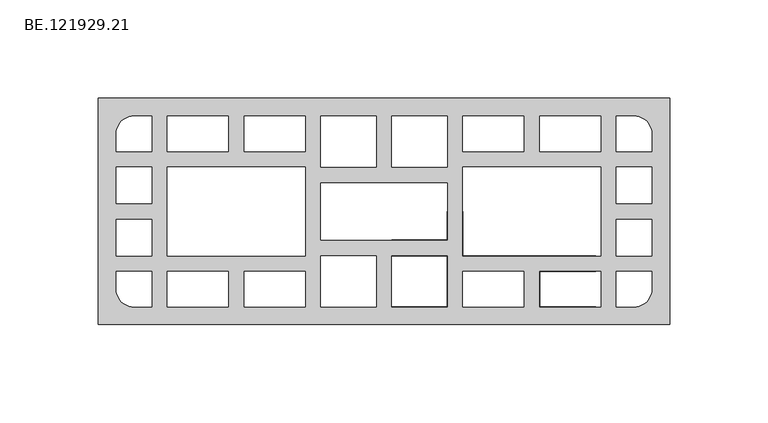
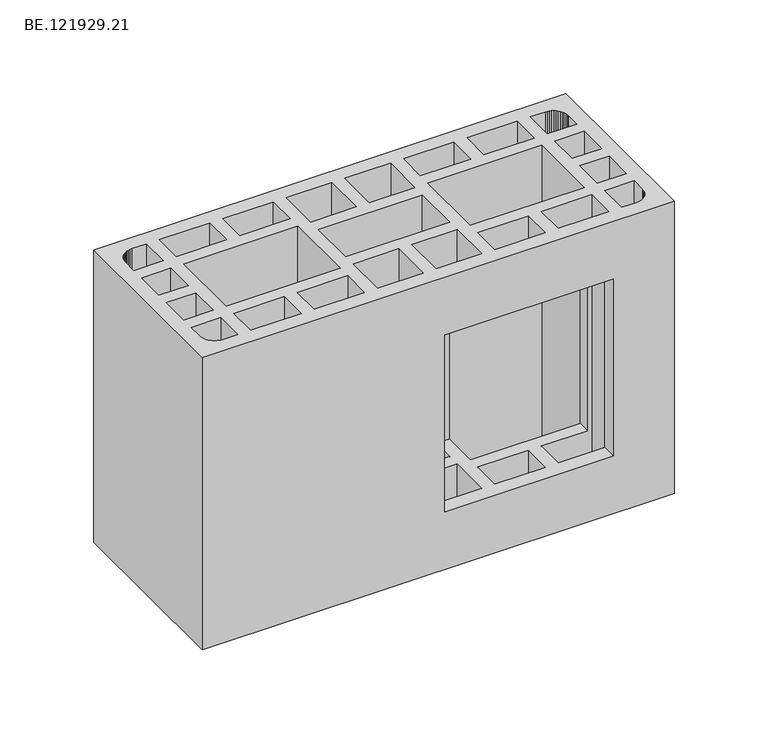
"""IFC4 building model written with IfcOpenShell, lengths in millimetres: proxy geometry, BE.121929.21."""

from ifc_helpers import new_model, si_unit, origin, place, context, project, spatial, faceted_brep, source, transform, mapped, element, save


def be_121929_21_d8aba018(model_context):
    return source(origin(), model_context, "Body", "Brep", [
        faceted_brep([(295.0, 57.5034668, 190.0), (5.0, 57.5034668, 190.0), (5.0, -57.5034668, 190.0), (295.0, -57.5034668, 190.0), (71.0052734, 48.4993652, 190.0), (71.0052734, 30.5097656, 190.0), (39.9932129, 30.5097656, 190.0), (39.9932129, 48.4993652, 190.0), (110.0075439, 48.4993652, 190.0), (110.0075439, 30.5097656, 190.0), (79.0047852, 30.5097656, 190.0), (79.0047852, 48.4993652, 190.0), (145.9960449, 48.4993652, 190.0), (145.9960449, 22.5009521, 190.0), (118.0070557, 22.5009521, 190.0), (118.0070557, 48.4993652, 190.0), (182.0031494, 14.5014404, 190.0), (182.0031494, -14.5014404, 190.0), (118.0070557, -14.5014404, 190.0), (118.0070557, 14.5014404, 190.0), (182.0031494, 22.5009521, 190.0), (153.9955566, 22.5009521, 190.0), (153.9955566, 48.4993652, 190.0), (182.0031494, 48.4993652, 190.0), (110.0075439, 22.5009521, 190.0), (110.0075439, -22.5009521, 190.0), (39.9932129, -22.5009521, 190.0), (39.9932129, 22.5009521, 190.0), (71.0052734, -48.4993652, 190.0), (39.9932129, -48.4993652, 190.0), (39.9932129, -30.5004639, 190.0), (71.0052734, -30.5004639, 190.0), (110.0075439, -48.4993652, 190.0), (79.0047852, -48.4993652, 190.0), (79.0047852, -30.5004639, 190.0), (110.0075439, -30.5004639, 190.0), (145.9960449, -48.4993652, 190.0), (118.0070557, -48.4993652, 190.0), (118.0070557, -22.5009521, 190.0), (145.9960449, -22.5009521, 190.0), (182.0031494, -22.5009521, 190.0), (182.0031494, -48.4993652, 190.0), (153.9955566, -48.4993652, 190.0), (153.9955566, -22.5009521, 190.0), (32.0020996, 22.5009521, 190.0), (32.0020996, 3.9997559, 190.0), (14.0125, 3.9997559, 190.0), (14.0125, 22.5009521, 190.0), (32.0020996, -22.5009521, 190.0), (14.0125, -22.5009521, 190.0), (14.0125, -3.9997559, 190.0), (32.0020996, -3.9997559, 190.0), (14.0041016, 30.5004639, 190.0), (14.0041016, 39.5045654, 190.0), (14.0785156, 40.6765869, 190.0), (14.3110596, 41.8300049, 190.0), (14.6924316, 42.9462158, 190.0), (15.2133301, 43.9973145, 190.0), (15.8644531, 44.9833008, 190.0), (16.636499, 45.8669678, 190.0), (17.5294678, 46.6390137, 190.0), (18.5061523, 47.2994385, 190.0), (19.557251, 47.8203369, 190.0), (20.6734619, 48.1924072, 190.0), (21.8268799, 48.4249512, 190.0), (23.0082031, 48.4993652, 190.0), (32.0030029, 48.4993652, 190.0), (32.0030029, 30.5004639, 190.0), (14.0041016, -30.5004639, 190.0), (32.0030029, -30.5004639, 190.0), (32.0030029, -48.4993652, 190.0), (23.0082031, -48.4993652, 190.0), (21.8268799, -48.4249512, 190.0), (20.6734619, -48.1924072, 190.0), (19.557251, -47.8203369, 190.0), (18.5061523, -47.2994385, 190.0), (17.5294678, -46.6390137, 190.0), (16.636499, -45.8669678, 190.0), (15.8644531, -44.9833008, 190.0), (15.2133301, -43.9973145, 190.0), (14.6924316, -42.9462158, 190.0), (14.3110596, -41.8300049, 190.0), (14.0785156, -40.6765869, 190.0), (14.0041016, -39.5045654, 190.0), (229.0049316, 48.4993652, 190.0), (260.0169922, 48.4993652, 190.0), (260.0169922, 30.5097656, 190.0), (229.0049316, 30.5097656, 190.0), (190.0026611, 48.4993652, 190.0), (221.0054199, 48.4993652, 190.0), (221.0054199, 30.5097656, 190.0), (190.0026611, 30.5097656, 190.0), (190.0026611, 22.5009521, 190.0), (260.0169922, 22.5009521, 190.0), (260.0169922, -22.5009521, 190.0), (190.0026611, -22.5009521, 190.0), (229.0049316, -48.4993652, 190.0), (229.0049316, -30.5004639, 190.0), (260.0169922, -30.5004639, 190.0), (260.0169922, -48.4993652, 190.0), (190.0026611, -48.4993652, 190.0), (190.0026611, -30.5004639, 190.0), (221.0054199, -30.5004639, 190.0), (221.0054199, -48.4993652, 190.0), (268.0081055, 22.5009521, 190.0), (285.9977051, 22.5009521, 190.0), (285.9977051, 3.9997559, 190.0), (268.0081055, 3.9997559, 190.0), (268.0081055, -22.5009521, 190.0), (268.0081055, -3.9997559, 190.0), (285.9977051, -3.9997559, 190.0), (285.9977051, -22.5009521, 190.0), (286.0061035, 30.5004639, 190.0), (268.0072021, 30.5004639, 190.0), (268.0072021, 48.4993652, 190.0), (277.002002, 48.4993652, 190.0), (278.1833252, 48.4249512, 190.0), (279.3367432, 48.1924072, 190.0), (280.4529541, 47.8203369, 190.0), (281.5040527, 47.2994385, 190.0), (282.4807373, 46.6390137, 190.0), (283.3737061, 45.8669678, 190.0), (284.145752, 44.9833008, 190.0), (284.796875, 43.9973145, 190.0), (285.3177734, 42.9462158, 190.0), (285.6991455, 41.8300049, 190.0), (285.9316895, 40.6765869, 190.0), (286.0061035, 39.5045654, 190.0), (286.0061035, -30.5004639, 190.0), (286.0061035, -39.5045654, 190.0), (285.9316895, -40.6765869, 190.0), (285.6991455, -41.8300049, 190.0), (285.3177734, -42.9462158, 190.0), (284.796875, -43.9973145, 190.0), (284.145752, -44.9833008, 190.0), (283.3737061, -45.8669678, 190.0), (282.4807373, -46.6390137, 190.0), (281.5040527, -47.2994385, 190.0), (280.4529541, -47.8203369, 190.0), (279.3367432, -48.1924072, 190.0), (278.1833252, -48.4249512, 190.0), (277.002002, -48.4993652, 190.0), (268.0072021, -48.4993652, 190.0), (268.0072021, -30.5004639, 190.0), (295.0, 57.5034668, 0.0), (295.0, -57.5034668, 0.0), (5.0, -57.5034668, 0.0), (5.0, 57.5034668, 0.0), (71.0052734, 48.4993652, 0.0), (39.9932129, 48.4993652, 0.0), (39.9932129, 30.5097656, 0.0), (71.0052734, 30.5097656, 0.0), (110.0075439, 48.4993652, 0.0), (79.0047852, 48.4993652, 0.0), (79.0047852, 30.5097656, 0.0), (110.0075439, 30.5097656, 0.0), (145.9960449, 48.4993652, 0.0), (118.0070557, 48.4993652, 0.0), (118.0070557, 22.5009521, 0.0), (145.9960449, 22.5009521, 0.0), (182.0031494, 14.5014404, 0.0), (118.0070557, 14.5014404, 0.0), (118.0070557, -14.5014404, 0.0), (182.0031494, -14.5014404, 0.0), (182.0031494, 22.5009521, 0.0), (182.0031494, 48.4993652, 0.0), (153.9955566, 48.4993652, 0.0), (153.9955566, 22.5009521, 0.0), (110.0075439, 22.5009521, 0.0), (39.9932129, 22.5009521, 0.0), (39.9932129, -22.5009521, 0.0), (110.0075439, -22.5009521, 0.0), (71.0052734, -48.4993652, 0.0), (71.0052734, -30.5004639, 0.0), (39.9932129, -30.5004639, 0.0), (39.9932129, -48.4993652, 0.0), (110.0075439, -48.4993652, 0.0), (110.0075439, -30.5004639, 0.0), (79.0047852, -30.5004639, 0.0), (79.0047852, -48.4993652, 0.0), (145.9960449, -48.4993652, 0.0), (145.9960449, -22.5009521, 0.0), (118.0070557, -22.5009521, 0.0), (118.0070557, -48.4993652, 0.0), (182.0031494, -22.5009521, 0.0), (153.9955566, -22.5009521, 0.0), (153.9955566, -48.4993652, 0.0), (182.0031494, -48.4993652, 0.0), (32.0020996, 22.5009521, 0.0), (14.0125, 22.5009521, 0.0), (14.0125, 3.9997559, 0.0), (32.0020996, 3.9997559, 0.0), (32.0020996, -22.5009521, 0.0), (32.0020996, -3.9997559, 0.0), (14.0125, -3.9997559, 0.0), (14.0125, -22.5009521, 0.0), (14.0041016, 30.5004639, 0.0), (32.0030029, 30.5004639, 0.0), (32.0030029, 48.4993652, 0.0), (23.0082031, 48.4993652, 0.0), (21.8268799, 48.4249512, 0.0), (20.6734619, 48.1924072, 0.0), (19.557251, 47.8203369, 0.0), (18.5061523, 47.2994385, 0.0), (17.5294678, 46.6390137, 0.0), (16.636499, 45.8669678, 0.0), (15.8644531, 44.9833008, 0.0), (15.2133301, 43.9973145, 0.0), (14.6924316, 42.9462158, 0.0), (14.3110596, 41.8300049, 0.0), (14.0785156, 40.6765869, 0.0), (14.0041016, 39.5045654, 0.0), (14.0041016, -30.5004639, 0.0), (14.0041016, -39.5045654, 0.0), (14.0785156, -40.6765869, 0.0), (14.3110596, -41.8300049, 0.0), (14.6924316, -42.9462158, 0.0), (15.2133301, -43.9973145, 0.0), (15.8644531, -44.9833008, 0.0), (16.636499, -45.8669678, 0.0), (17.5294678, -46.6390137, 0.0), (18.5061523, -47.2994385, 0.0), (19.557251, -47.8203369, 0.0), (20.6734619, -48.1924072, 0.0), (21.8268799, -48.4249512, 0.0), (23.0082031, -48.4993652, 0.0), (32.0030029, -48.4993652, 0.0), (32.0030029, -30.5004639, 0.0), (229.0049316, 48.4993652, 0.0), (229.0049316, 30.5097656, 0.0), (260.0169922, 30.5097656, 0.0), (260.0169922, 48.4993652, 0.0), (190.0026611, 48.4993652, 0.0), (190.0026611, 30.5097656, 0.0), (221.0054199, 30.5097656, 0.0), (221.0054199, 48.4993652, 0.0), (190.0026611, 22.5009521, 0.0), (190.0026611, -22.5009521, 0.0), (260.0169922, -22.5009521, 0.0), (260.0169922, 22.5009521, 0.0), (229.0049316, -48.4993652, 0.0), (260.0169922, -48.4993652, 0.0), (260.0169922, -30.5004639, 0.0), (229.0049316, -30.5004639, 0.0), (190.0026611, -48.4993652, 0.0), (221.0054199, -48.4993652, 0.0), (221.0054199, -30.5004639, 0.0), (190.0026611, -30.5004639, 0.0), (268.0081055, 22.5009521, 0.0), (268.0081055, 3.9997559, 0.0), (285.9977051, 3.9997559, 0.0), (285.9977051, 22.5009521, 0.0), (268.0081055, -22.5009521, 0.0), (285.9977051, -22.5009521, 0.0), (285.9977051, -3.9997559, 0.0), (268.0081055, -3.9997559, 0.0), (286.0061035, 30.5004639, 0.0), (286.0061035, 39.5045654, 0.0), (285.9316895, 40.6765869, 0.0), (285.6991455, 41.8300049, 0.0), (285.3177734, 42.9462158, 0.0), (284.796875, 43.9973145, 0.0), (284.145752, 44.9833008, 0.0), (283.3737061, 45.8669678, 0.0), (282.4807373, 46.6390137, 0.0), (281.5040527, 47.2994385, 0.0), (280.4529541, 47.8203369, 0.0), (279.3367432, 48.1924072, 0.0), (278.1833252, 48.4249512, 0.0), (277.002002, 48.4993652, 0.0), (268.0072021, 48.4993652, 0.0), (268.0072021, 30.5004639, 0.0), (286.0061035, -30.5004639, 0.0), (268.0072021, -30.5004639, 0.0), (268.0072021, -48.4993652, 0.0), (277.002002, -48.4993652, 0.0), (278.1833252, -48.4249512, 0.0), (279.3367432, -48.1924072, 0.0), (280.4529541, -47.8203369, 0.0), (281.5040527, -47.2994385, 0.0), (282.4807373, -46.6390137, 0.0), (283.3737061, -45.8669678, 0.0), (284.145752, -44.9833008, 0.0), (284.796875, -43.9973145, 0.0), (285.3177734, -42.9462158, 0.0), (285.6991455, -41.8300049, 0.0), (285.9316895, -40.6765869, 0.0), (286.0061035, -39.5045654, 0.0), (153.9955566, -57.5034668, 152.5023193), (257.5055176, -57.5034668, 152.5023193), (257.5055176, -57.5034668, 37.5046875), (153.9955566, -57.5034668, 37.5046875), (182.0031494, -14.5014404, 37.5046875), (182.0031494, 0.0, 37.5046875), (182.0031494, 0.0, 152.5023193), (182.0031494, -14.5014404, 152.5023193), (153.9955566, -14.5014404, 152.5023193), (153.9955566, -14.5014404, 37.5046875), (182.0031494, -22.5009521, 152.5023193), (182.0031494, -48.4993652, 152.5023193), (182.0031494, -48.4993652, 37.5046875), (182.0031494, -22.5009521, 37.5046875), (153.9955566, -48.4993652, 152.5023193), (153.9955566, -48.4993652, 37.5046875), (153.9955566, -22.5009521, 37.5046875), (153.9955566, -22.5009521, 152.5023193), (190.0026611, -22.5009521, 37.5046875), (257.5055176, -22.5009521, 37.5046875), (257.5055176, -22.5009521, 152.5023193), (190.0026611, -22.5009521, 152.5023193), (190.0026611, 0.0, 152.5023193), (190.0026611, 0.0, 37.5046875), (229.0049316, -48.4993652, 152.5023193), (229.0049316, -30.5004639, 152.5023193), (229.0049316, -30.5004639, 37.5046875), (229.0049316, -48.4993652, 37.5046875), (257.5055176, -30.5004639, 152.5023193), (257.5055176, -30.5004639, 37.5046875), (257.5055176, -48.4993652, 37.5046875), (257.5055176, -48.4993652, 152.5023193), (190.0026611, -48.4993652, 152.5023193), (190.0026611, -30.5004639, 152.5023193), (190.0026611, -30.5004639, 37.5046875), (190.0026611, -48.4993652, 37.5046875), (221.0054199, -30.5004639, 152.5023193), (221.0054199, -30.5004639, 37.5046875), (221.0054199, -48.4993652, 152.5023193), (221.0054199, -48.4993652, 37.5046875)], [[[0, 1, 2, 3], [4, 5, 6, 7], [8, 9, 10, 11], [12, 13, 14, 15], [16, 17, 18, 19], [20, 21, 22, 23], [24, 25, 26, 27], [28, 29, 30, 31], [32, 33, 34, 35], [36, 37, 38, 39], [40, 41, 42, 43], [44, 45, 46, 47], [48, 49, 50, 51], [52, 53, 54, 55, 56, 57, 58, 59, 60, 61, 62, 63, 64, 65, 66, 67], [68, 69, 70, 71, 72, 73, 74, 75, 76, 77, 78, 79, 80, 81, 82, 83], [84, 85, 86, 87], [88, 89, 90, 91], [92, 93, 94, 95], [96, 97, 98, 99], [100, 101, 102, 103], [104, 105, 106, 107], [108, 109, 110, 111], [112, 113, 114, 115, 116, 117, 118, 119, 120, 121, 122, 123, 124, 125, 126, 127], [128, 129, 130, 131, 132, 133, 134, 135, 136, 137, 138, 139, 140, 141, 142, 143]], [[144, 145, 146, 147], [148, 149, 150, 151], [152, 153, 154, 155], [156, 157, 158, 159], [160, 161, 162, 163], [164, 165, 166, 167], [168, 169, 170, 171], [172, 173, 174, 175], [176, 177, 178, 179], [180, 181, 182, 183], [184, 185, 186, 187], [188, 189, 190, 191], [192, 193, 194, 195], [196, 197, 198, 199, 200, 201, 202, 203, 204, 205, 206, 207, 208, 209, 210, 211], [212, 213, 214, 215, 216, 217, 218, 219, 220, 221, 222, 223, 224, 225, 226, 227], [228, 229, 230, 231], [232, 233, 234, 235], [236, 237, 238, 239], [240, 241, 242, 243], [244, 245, 246, 247], [248, 249, 250, 251], [252, 253, 254, 255], [256, 257, 258, 259, 260, 261, 262, 263, 264, 265, 266, 267, 268, 269, 270, 271], [272, 273, 274, 275, 276, 277, 278, 279, 280, 281, 282, 283, 284, 285, 286, 287]], [[1, 0, 144, 147]], [[2, 1, 147, 146]], [[3, 2, 146, 145], [288, 289, 290, 291]], [[0, 3, 145, 144]], [[5, 4, 148, 151]], [[6, 5, 151, 150]], [[7, 6, 150, 149]], [[4, 7, 149, 148]], [[9, 8, 152, 155]], [[10, 9, 155, 154]], [[11, 10, 154, 153]], [[8, 11, 153, 152]], [[13, 12, 156, 159]], [[14, 13, 159, 158]], [[15, 14, 158, 157]], [[12, 15, 157, 156]], [[17, 16, 160, 163, 292, 293, 294, 295]], [[18, 17, 295, 296, 297, 292, 163, 162]], [[19, 18, 162, 161]], [[16, 19, 161, 160]], [[21, 20, 164, 167]], [[22, 21, 167, 166]], [[23, 22, 166, 165]], [[20, 23, 165, 164]], [[25, 24, 168, 171]], [[26, 25, 171, 170]], [[27, 26, 170, 169]], [[24, 27, 169, 168]], [[29, 28, 172, 175]], [[30, 29, 175, 174]], [[31, 30, 174, 173]], [[28, 31, 173, 172]], [[33, 32, 176, 179]], [[34, 33, 179, 178]], [[35, 34, 178, 177]], [[32, 35, 177, 176]], [[37, 36, 180, 183]], [[38, 37, 183, 182]], [[39, 38, 182, 181]], [[36, 39, 181, 180]], [[41, 40, 298, 299]], [[184, 187, 300, 301]], [[42, 41, 299, 302]], [[187, 186, 303, 300]], [[43, 42, 302, 288, 291, 303, 186, 185, 304, 297, 296, 305]], [[40, 43, 305, 298]], [[185, 184, 301, 304]], [[45, 44, 188, 191]], [[46, 45, 191, 190]], [[47, 46, 190, 189]], [[44, 47, 189, 188]], [[49, 48, 192, 195]], [[50, 49, 195, 194]], [[51, 50, 194, 193]], [[48, 51, 193, 192]], [[53, 52, 196, 211]], [[54, 53, 211, 210]], [[55, 54, 210, 209]], [[56, 55, 209, 208]], [[57, 56, 208, 207]], [[58, 57, 207, 206]], [[59, 58, 206, 205]], [[60, 59, 205, 204]], [[61, 60, 204, 203]], [[62, 61, 203, 202]], [[63, 62, 202, 201]], [[64, 63, 201, 200]], [[65, 64, 200, 199]], [[66, 65, 199, 198]], [[67, 66, 198, 197]], [[52, 67, 197, 196]], [[69, 68, 212, 227]], [[70, 69, 227, 226]], [[71, 70, 226, 225]], [[72, 71, 225, 224]], [[73, 72, 224, 223]], [[74, 73, 223, 222]], [[75, 74, 222, 221]], [[76, 75, 221, 220]], [[77, 76, 220, 219]], [[78, 77, 219, 218]], [[79, 78, 218, 217]], [[80, 79, 217, 216]], [[81, 80, 216, 215]], [[82, 81, 215, 214]], [[83, 82, 214, 213]], [[68, 83, 213, 212]], [[85, 84, 228, 231]], [[86, 85, 231, 230]], [[87, 86, 230, 229]], [[84, 87, 229, 228]], [[89, 88, 232, 235]], [[90, 89, 235, 234]], [[91, 90, 234, 233]], [[88, 91, 233, 232]], [[93, 92, 236, 239]], [[94, 93, 239, 238]], [[95, 94, 238, 237, 306, 307, 308, 309]], [[92, 95, 309, 310, 311, 306, 237, 236]], [[97, 96, 312, 313]], [[240, 243, 314, 315]], [[98, 97, 313, 316, 317, 314, 243, 242]], [[99, 98, 242, 241]], [[96, 99, 241, 240, 315, 318, 319, 312]], [[101, 100, 320, 321]], [[244, 247, 322, 323]], [[102, 101, 321, 324]], [[247, 246, 325, 322]], [[103, 102, 324, 326]], [[246, 245, 327, 325]], [[100, 103, 326, 320]], [[245, 244, 323, 327]], [[105, 104, 248, 251]], [[106, 105, 251, 250]], [[107, 106, 250, 249]], [[104, 107, 249, 248]], [[109, 108, 252, 255]], [[110, 109, 255, 254]], [[111, 110, 254, 253]], [[108, 111, 253, 252]], [[113, 112, 256, 271]], [[114, 113, 271, 270]], [[115, 114, 270, 269]], [[116, 115, 269, 268]], [[117, 116, 268, 267]], [[118, 117, 267, 266]], [[119, 118, 266, 265]], [[120, 119, 265, 264]], [[121, 120, 264, 263]], [[122, 121, 263, 262]], [[123, 122, 262, 261]], [[124, 123, 261, 260]], [[125, 124, 260, 259]], [[126, 125, 259, 258]], [[127, 126, 258, 257]], [[112, 127, 257, 256]], [[129, 128, 272, 287]], [[130, 129, 287, 286]], [[131, 130, 286, 285]], [[132, 131, 285, 284]], [[133, 132, 284, 283]], [[134, 133, 283, 282]], [[135, 134, 282, 281]], [[136, 135, 281, 280]], [[137, 136, 280, 279]], [[138, 137, 279, 278]], [[139, 138, 278, 277]], [[140, 139, 277, 276]], [[141, 140, 276, 275]], [[142, 141, 275, 274]], [[143, 142, 274, 273]], [[128, 143, 273, 272]], [[310, 294, 293, 311]], [[288, 302, 299, 298, 305, 296, 295, 294, 310, 309, 308, 316, 313, 312, 319, 289], [321, 320, 326, 324]], [[303, 291, 290, 318, 315, 314, 317, 307, 306, 311, 293, 292, 297, 304, 301, 300], [323, 322, 325, 327]], [[316, 308, 307, 317]], [[289, 319, 318, 290]]]),
    ])


if __name__ == "__main__":
    model = new_model("IFC4")
    model_context = context("Model", 3, world=origin())
    ifc_project = project(units=[si_unit("LENGTHUNIT", "METRE", prefix="MILLI")], contexts=[model_context])
    site = spatial("IfcSite", under=ifc_project)
    building = spatial("IfcBuilding", under=site)
    placement = place(None, origin())
    be_121929_21_shape = be_121929_21_d8aba018(model_context)
    element("IfcBuildingElementProxy", 1, Name="BE.121929.21", ObjectType="BE.121929.21", at=placement, inside=building, context=model_context, shape_type="MappedRepresentation", body=[
        mapped(be_121929_21_shape, transform((0.0, 0.0, 0.0), x_axis=(1.0, 0.0, 0.0), y_axis=(0.0, 1.0, 0.0), z_axis=(0.0, 0.0, 1.0))),
    ])
    save(model, "model.ifc")
